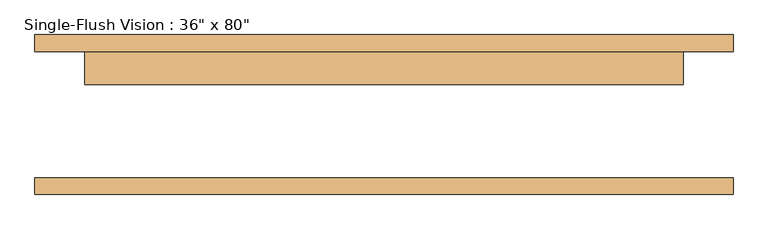
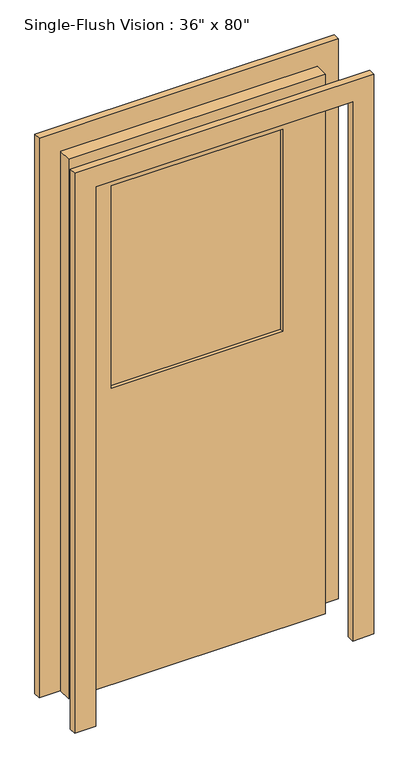
"""IFC4 building model written with IfcOpenShell, lengths in millimetres: door geometry."""

from ifc_helpers import new_model, si_unit, frame, origin, place, context, project, spatial, polyline, outline, extrude, source, transform, mapped, element, save


def door_8adf4680(model_context):
    return source(origin(), model_context, "Body", "SweptSolid", [
        extrude(outline(polyline([(2108.2, -533.4), (0.0, -533.4), (0.0, -457.2), (2032.0, -457.2), (2032.0, 457.2), (0.0, 457.2), (0.0, 533.4), (2108.2, 533.4), (2108.2, -533.4)])), frame((0.0, 96.8375, 0.0), z_axis=(0.0, 1.0, 0.0), x_axis=(0.0, 0.0, 1.0)), (0.0, 0.0, 1.0), 25.4),
        extrude(outline(polyline([(2032.0, 457.2), (0.0, 457.2), (0.0, 533.4), (2108.2, 533.4), (2108.2, -533.4), (0.0, -533.4), (0.0, -457.2), (2032.0, -457.2), (2032.0, 457.2)])), frame((0.0, -122.2375, 0.0), z_axis=(0.0, 1.0, 0.0), x_axis=(0.0, 0.0, 1.0)), (0.0, 0.0, 1.0), 25.4),
        extrude(outline(polyline([(304.8, 58.7375), (-304.8, 58.7375), (-304.8, 65.0875), (304.8, 65.0875), (304.8, 58.7375)])), frame((0.0, 0.0, 1117.6), z_axis=(0.0, 0.0, 1.0), x_axis=(1.0, 0.0, 0.0)), (0.0, 0.0, 1.0), 762.0),
        extrude(outline(polyline([(304.8, 77.7875), (-304.8, 77.7875), (-304.8, 84.1375), (304.8, 84.1375), (304.8, 77.7875)])), frame((0.0, 0.0, 1117.6), z_axis=(0.0, 0.0, 1.0), x_axis=(1.0, 0.0, 0.0)), (0.0, 0.0, 1.0), 762.0),
        extrude(outline(polyline([(2032.0, -457.2), (0.0, -457.2), (0.0, 457.2), (2032.0, 457.2), (2032.0, -457.2)]), holes=[polyline([(1879.6, -304.8), (1879.6, 304.8), (1117.6, 304.8), (1117.6, -304.8), (1879.6, -304.8)])]), frame((0.0, 46.0375, 0.0), z_axis=(0.0, 1.0, 0.0), x_axis=(0.0, 0.0, 1.0)), (0.0, 0.0, 1.0), 50.8),
    ])


if __name__ == "__main__":
    model = new_model("IFC4")
    model_context = context("Model", 3, world=origin())
    ifc_project = project(units=[si_unit("LENGTHUNIT", "METRE", prefix="MILLI")], contexts=[model_context])
    site = spatial("IfcSite", under=ifc_project)
    building = spatial("IfcBuilding", under=site)
    placement = place(None, origin())
    door_shape = door_8adf4680(model_context)
    element("IfcDoor", 1, ObjectType="Single-Flush Vision : 36\" x 80\"", at=placement, inside=building, context=model_context, shape_type="MappedRepresentation", body=[
        mapped(door_shape, transform((0.0, 0.0, 0.0), x_axis=(1.0, 0.0, 0.0), y_axis=(0.0, 1.0, 0.0), z_axis=(0.0, 0.0, 1.0))),
    ])
    save(model, "model.ifc")
